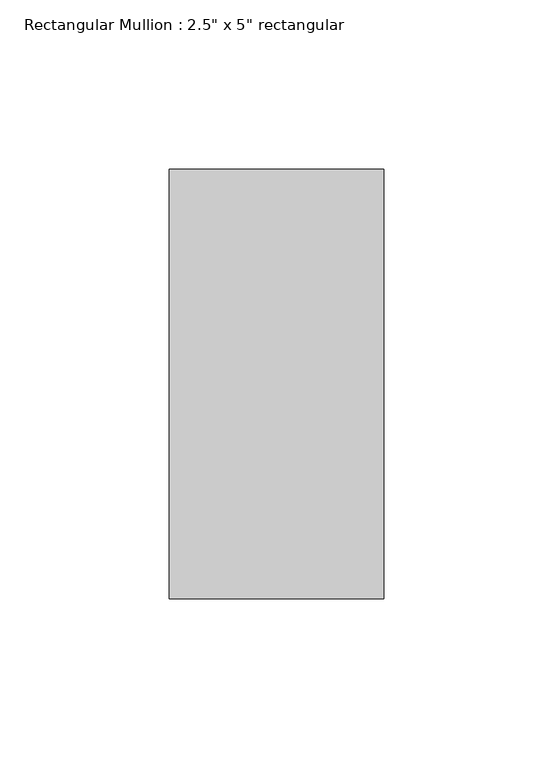
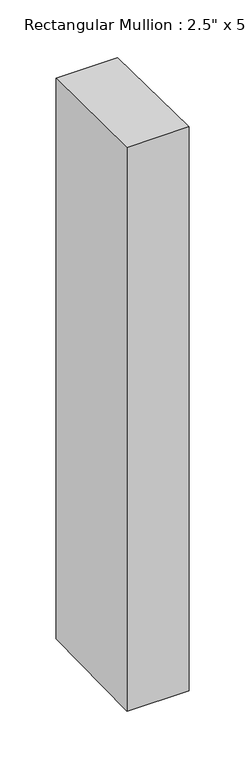
"""IFC4 building model written with IfcOpenShell, lengths in millimetres: member geometry."""

from ifc_helpers import new_model, si_unit, origin, place, context, project, spatial, faceted_brep, source, transform, mapped, element, save


def member_757daf1a(model_context):
    return source(origin(), model_context, "Body", "Brep", [
        faceted_brep([(-63.5, 63.5, -1.229155), (0.0, 63.5, -0.7538242), (0.0, 63.5, -611.4807322), (-63.5, 63.5, -611.0873635), (-63.5, -63.5, 0.2784933), (-63.5, -63.5, -612.5912063), (0.0, -63.5, 0.7538242), (0.0, -63.5, -612.984575)], [[[0, 1, 2, 3]], [[4, 0, 3, 5]], [[6, 4, 5, 7]], [[1, 6, 7, 2]], [[1, 0, 4, 6]], [[2, 7, 5, 3]]]),
    ])


if __name__ == "__main__":
    model = new_model("IFC4")
    model_context = context("Model", 3, world=origin())
    ifc_project = project(units=[si_unit("LENGTHUNIT", "METRE", prefix="MILLI")], contexts=[model_context])
    site = spatial("IfcSite", under=ifc_project)
    building = spatial("IfcBuilding", under=site)
    placement = place(None, origin())
    member_shape = member_757daf1a(model_context)
    element("IfcMember", 1, ObjectType="Rectangular Mullion : 2.5\" x 5\" rectangular", at=placement, inside=building, context=model_context, shape_type="MappedRepresentation", body=[
        mapped(member_shape, transform((0.0, 0.0, 0.0), x_axis=(1.0, 0.0, 0.0), y_axis=(0.0, 1.0, 0.0), z_axis=(0.0, 0.0, 1.0))),
    ])
    save(model, "model.ifc")
